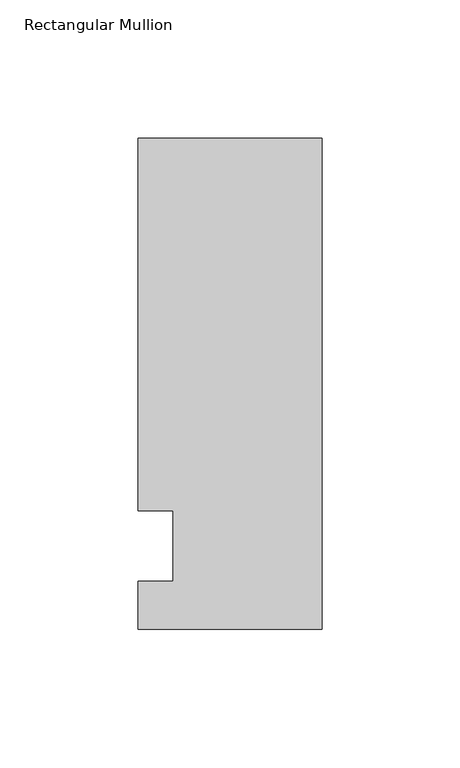
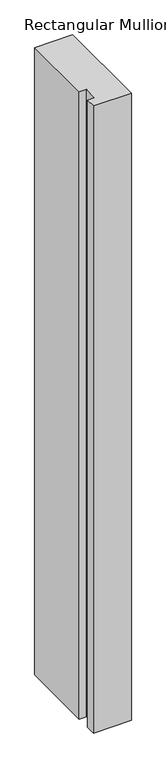
"""IFC4 building model written with IfcOpenShell, lengths in millimetres: member geometry, Rectangular Mullion."""

from ifc_helpers import new_model, si_unit, frame, origin, place, context, project, spatial, polyline, outline, extrude, source, transform, mapped, element, save


def rectangular_mullion_db38ee28(model_context):
    return source(origin(), model_context, "Body", "SweptSolid", [
        extrude(outline(polyline([(-66.675, 147.6375), (0.0, 147.6375), (0.0, -30.1625), (-66.675, -30.1625), (-66.675, -12.7), (-53.9732296, -12.7), (-53.9732296, 12.7), (-66.675, 12.7), (-66.675, 147.6375)])), frame((0.0, 0.0, -1162.05), z_axis=(0.0, 0.0, 1.0), x_axis=(1.0, 0.0, 0.0)), (0.0, 0.0, 1.0), 1162.05),
    ])


if __name__ == "__main__":
    model = new_model("IFC4")
    model_context = context("Model", 3, world=origin())
    ifc_project = project(units=[si_unit("LENGTHUNIT", "METRE", prefix="MILLI")], contexts=[model_context])
    site = spatial("IfcSite", under=ifc_project)
    building = spatial("IfcBuilding", under=site)
    placement = place(None, origin())
    rectangular_mullion_shape = rectangular_mullion_db38ee28(model_context)
    element("IfcMember", 1, ObjectType="Rectangular Mullion", at=placement, inside=building, context=model_context, shape_type="MappedRepresentation", body=[
        mapped(rectangular_mullion_shape, transform((0.0, 0.0, 0.0), x_axis=(1.0, 0.0, 0.0), y_axis=(0.0, 1.0, 0.0), z_axis=(0.0, 0.0, 1.0))),
    ])
    save(model, "model.ifc")
